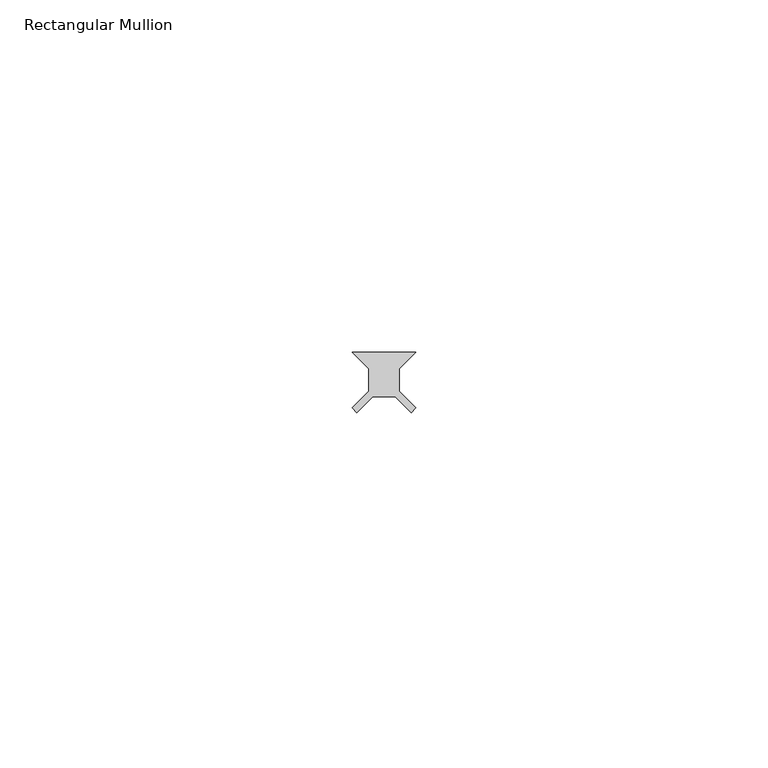
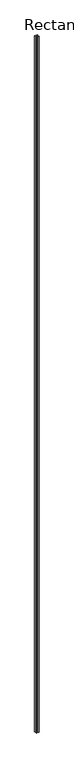
"""IFC4 building model written with IfcOpenShell, lengths in millimetres: member geometry, Rectangular Mullion."""

from ifc_helpers import new_model, si_unit, frame, origin, place, context, project, spatial, polyline, outline, extrude, source, transform, mapped, element, save


def rectangular_mullion_9f3c0310(model_context):
    return source(origin(), model_context, "Body", "SweptSolid", [
        extrude(outline(polyline([(-2.148766, 31.75), (-4.530016, 34.13125), (4.530016, 34.13125), (2.148766, 31.75), (2.148766, 28.575), (4.530016, 26.19375), (3.852508, 25.516242), (1.5875, 27.78125), (-1.5875, 27.78125), (-3.852508, 25.516242), (-4.530016, 26.19375), (-2.148766, 28.575), (-2.148766, 31.75)])), frame((0.0, 0.0, -2359.025), z_axis=(0.0, 0.0, 1.0), x_axis=(1.0, 0.0, 0.0)), (0.0, 0.0, 1.0), 2359.025),
    ])


if __name__ == "__main__":
    model = new_model("IFC4")
    model_context = context("Model", 3, world=origin())
    ifc_project = project(units=[si_unit("LENGTHUNIT", "METRE", prefix="MILLI")], contexts=[model_context])
    site = spatial("IfcSite", under=ifc_project)
    building = spatial("IfcBuilding", under=site)
    placement = place(None, origin())
    rectangular_mullion_shape = rectangular_mullion_9f3c0310(model_context)
    element("IfcMember", 1, ObjectType="Rectangular Mullion", at=placement, inside=building, context=model_context, shape_type="MappedRepresentation", body=[
        mapped(rectangular_mullion_shape, transform((0.0, 0.0, 0.0), x_axis=(1.0, 0.0, 0.0), y_axis=(0.0, 1.0, 0.0), z_axis=(0.0, 0.0, 1.0))),
    ])
    save(model, "model.ifc")
